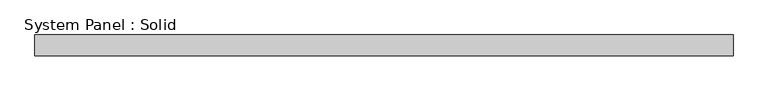
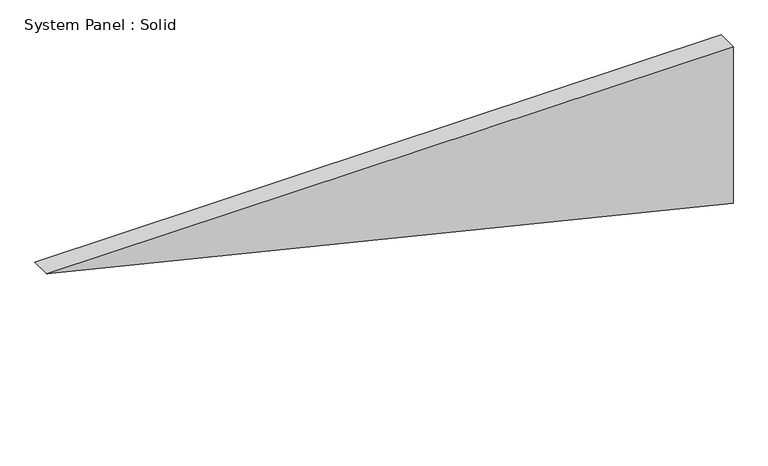
"""IFC4 building model written with IfcOpenShell, lengths in millimetres: plate geometry, System Panel : Solid."""

from ifc_helpers import new_model, si_unit, frame, origin, place, context, project, spatial, polyline, outline, extrude, source, transform, mapped, element, save


def system_panel_solid_cfdb48a8(model_context):
    return source(origin(), model_context, "Body", "SweptSolid", [
        extrude(outline(polyline([(489.2506481, -1012.4521681), (0.0, 1012.4521681), (489.2506481, 1012.4521681), (489.2506481, -1012.4521681)])), frame((0.0, -10.5, 0.0), z_axis=(0.0, 1.0, 0.0), x_axis=(0.0, 0.0, 1.0)), (0.0, 0.0, 1.0), 60.0),
    ])


if __name__ == "__main__":
    model = new_model("IFC4")
    model_context = context("Model", 3, world=origin())
    ifc_project = project(units=[si_unit("LENGTHUNIT", "METRE", prefix="MILLI")], contexts=[model_context])
    site = spatial("IfcSite", under=ifc_project)
    building = spatial("IfcBuilding", under=site)
    placement = place(None, origin())
    system_panel_solid_shape = system_panel_solid_cfdb48a8(model_context)
    element("IfcPlate", 1, ObjectType="System Panel : Solid", at=placement, inside=building, context=model_context, shape_type="MappedRepresentation", body=[
        mapped(system_panel_solid_shape, transform((0.0, 0.0, 0.0), x_axis=(1.0, 0.0, 0.0), y_axis=(0.0, 1.0, 0.0), z_axis=(0.0, 0.0, 1.0))),
    ])
    save(model, "model.ifc")
